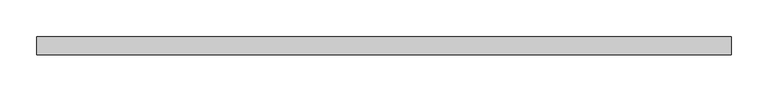
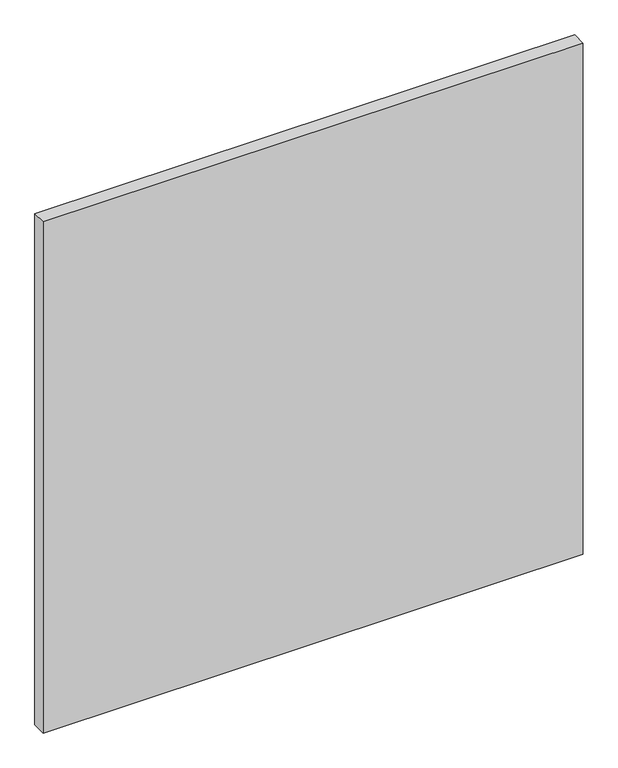
"""IFC4 building model written with IfcOpenShell, lengths in millimetres: plate geometry."""

from ifc_helpers import new_model, si_unit, origin, origin_with_axes, place, context, project, spatial, polyline, outline, extrude, source, transform, mapped, element, save


def plate_5b06428c(model_context):
    return source(origin(), model_context, "Body", "SweptSolid", [
        extrude(outline(polyline([(475.0, -12.5), (-475.0, -12.5), (-475.0, 12.5), (475.0, 12.5), (475.0, -12.5)])), origin_with_axes(), (0.0, 0.0, 1.0), 950.0),
    ])


if __name__ == "__main__":
    model = new_model("IFC4")
    model_context = context("Model", 3, world=origin())
    ifc_project = project(units=[si_unit("LENGTHUNIT", "METRE", prefix="MILLI")], contexts=[model_context])
    site = spatial("IfcSite", under=ifc_project)
    building = spatial("IfcBuilding", under=site)
    placement = place(None, origin())
    plate_shape = plate_5b06428c(model_context)
    element("IfcPlate", 1, at=placement, inside=building, context=model_context, shape_type="MappedRepresentation", body=[
        mapped(plate_shape, transform((0.0, 0.0, 0.0), x_axis=(1.0, 0.0, 0.0), y_axis=(0.0, 1.0, 0.0), z_axis=(0.0, 0.0, 1.0))),
    ])
    save(model, "model.ifc")
